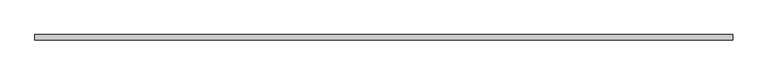
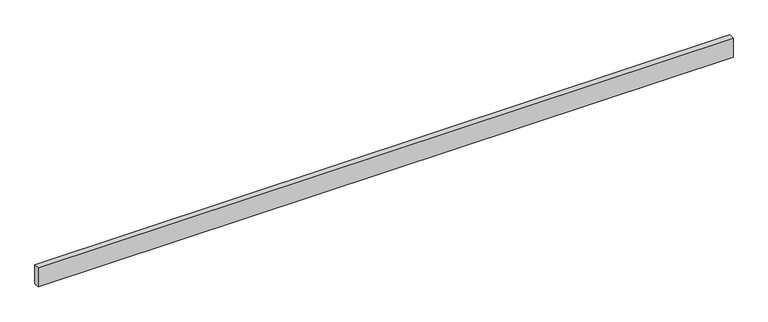
"""IFC4 building model written with IfcOpenShell, lengths in millimetres: beam geometry."""

from ifc_helpers import new_model, si_unit, frame, origin, place, context, project, spatial, polyline, outline, extrude, source, transform, mapped, element, save


def beam_055f35c7(model_context):
    return source(origin(), model_context, "Body", "SweptSolid", [
        extrude(outline(polyline([(2386.0125, -19.05), (-2386.0125, -19.05), (-2386.0125, 19.05), (2386.0125, 19.05), (2386.0125, -19.05)])), frame((0.0, 0.0, -69.85), z_axis=(0.0, 0.0, 1.0), x_axis=(1.0, 0.0, 0.0)), (0.0, 0.0, 1.0), 139.7),
    ])


if __name__ == "__main__":
    model = new_model("IFC4")
    model_context = context("Model", 3, world=origin())
    ifc_project = project(units=[si_unit("LENGTHUNIT", "METRE", prefix="MILLI")], contexts=[model_context])
    site = spatial("IfcSite", under=ifc_project)
    building = spatial("IfcBuilding", under=site)
    placement = place(None, origin())
    beam_shape = beam_055f35c7(model_context)
    element("IfcBeam", 1, at=placement, inside=building, context=model_context, shape_type="MappedRepresentation", body=[
        mapped(beam_shape, transform((0.0, 0.0, 0.0), x_axis=(1.0, 0.0, 0.0), y_axis=(0.0, 1.0, 0.0), z_axis=(0.0, 0.0, 1.0))),
    ])
    save(model, "model.ifc")
